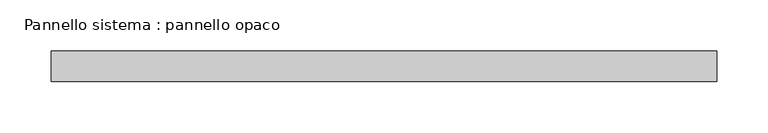
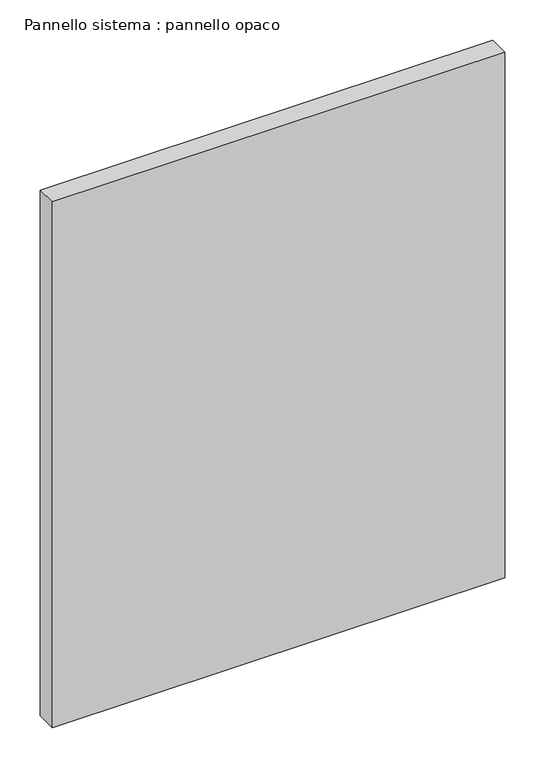
"""IFC4 building model written with IfcOpenShell, lengths in millimetres: plate geometry, Pannello sistema : pannello opaco."""

import ifcopenshell
import ifcopenshell.guid

model = None  # the IFC model being written
_history = None  # IfcOwnerHistory: only IFC2X3 demands one
_inside = {}  # id of a spatial element -> (the spatial element, [elements in it])
_under = {}  # id of a project, library or spatial element -> (it, [spatial elements below it])
_declared = {}  # id of a project -> (the project, [libraries it declares])
_typed = {}  # id of a type object -> (the type object, [elements of that type])
_made_of = {}  # id of a material, layer set ... -> (it, [elements and type objects made of it])


def new_model(schema):
    """Start an empty IFC model of exactly this schema.

    Asked for "IFC4X3", IfcOpenShell would pick the latest addendum, in which some entities
    have other attributes; the version numbers below select the first issue.
    IFC2X3 requires an IfcOwnerHistory on every rooted entity: one is made here for all.
    """
    global model, _history
    if schema == "IFC4X3":
        model = ifcopenshell.file(schema_version=(4, 3, 0, 0))
    else:
        model = ifcopenshell.file(schema=schema)
    _inside.clear()
    _under.clear()
    _declared.clear()
    _typed.clear()
    _made_of.clear()
    _history = None
    if model.schema == "IFC2X3":
        org = make("IfcOrganization", Name="unknown")
        user = make(
            "IfcPersonAndOrganization",
            ThePerson=make("IfcPerson", FamilyName="unknown"),
            TheOrganization=org,
        )
        app = make(
            "IfcApplication",
            ApplicationDeveloper=org,
            Version="unknown",
            ApplicationFullName="unknown",
            ApplicationIdentifier="unknown",
        )
        _history = make(
            "IfcOwnerHistory",
            OwningUser=user,
            OwningApplication=app,
            ChangeAction="ADDED",
            CreationDate=0,
        )
    return model


def make(cls, **values):
    """One entity of the class cls with the attributes given. An attribute that is None is left unset."""
    return model.create_entity(
        cls, **{name: value for name, value in values.items() if value is not None}
    )


def rooted(cls, **values):
    """An entity with a GlobalId (a new one), such as an element, a storey or a relation."""
    return make(cls, GlobalId=ifcopenshell.guid.new(), OwnerHistory=_history, **values)


def si_unit(unit_type, name, prefix=None):
    """IfcSIUnit, for example si_unit("LENGTHUNIT", "METRE", prefix="MILLI")."""
    return make("IfcSIUnit", UnitType=unit_type, Prefix=prefix, Name=name)


def assignment(units):
    """IfcUnitAssignment: the units of a project."""
    return None if units is None else make("IfcUnitAssignment", Units=units)


def point(xyz):
    """IfcCartesianPoint."""
    return None if xyz is None else make("IfcCartesianPoint", Coordinates=xyz)


def direction(xyz):
    """IfcDirection."""
    return None if xyz is None else make("IfcDirection", DirectionRatios=xyz)


def frame(location, z_axis=None, x_axis=None):
    """IfcAxis2Placement3D, a coordinate frame: its origin and axes. An axis left out is left unset."""
    return make(
        "IfcAxis2Placement3D",
        Location=point(location),
        Axis=direction(z_axis),
        RefDirection=direction(x_axis),
    )


def origin():
    """The frame at (0, 0, 0) with its axes left unset."""
    return frame((0.0, 0.0, 0.0))


def origin_with_axes():
    """The frame at (0, 0, 0) with the z axis (0, 0, 1) and the x axis (1, 0, 0) written out."""
    return frame((0.0, 0.0, 0.0), z_axis=(0.0, 0.0, 1.0), x_axis=(1.0, 0.0, 0.0))


def place(relative_to, where):
    """IfcLocalPlacement: puts the frame where relative to a parent placement (None: the world)."""
    return make(
        "IfcLocalPlacement", PlacementRelTo=relative_to, RelativePlacement=where
    )


def context(
    kind, dimensions, precision=None, world=None, true_north=None, identifier=None
):
    """IfcGeometricRepresentationContext, for example the 3D "Model" context."""
    return make(
        "IfcGeometricRepresentationContext",
        ContextIdentifier=identifier,
        ContextType=kind,
        CoordinateSpaceDimension=dimensions,
        Precision=precision,
        WorldCoordinateSystem=world,
        TrueNorth=true_north,
    )


def project(units=None, contexts=None):
    """IfcProject with its units and contexts."""
    return rooted(
        "IfcProject",
        Name="project",
        RepresentationContexts=contexts,
        UnitsInContext=assignment(units),
    )


def spatial(cls, under=None, at=None, **own):
    """A site, building, storey or space (cls), placed at a placement, below another one or the project."""
    s = rooted(cls, ObjectPlacement=at, **own)
    if under is not None:
        _under.setdefault(under.id(), (under, []))[1].append(s)
    return s


def polyline(points):
    """IfcPolyline through the points."""
    return make("IfcPolyline", Points=[point(p) for p in points])


def outline(outer, holes=None, kind="AREA"):
    """IfcArbitraryClosedProfileDef: a profile drawn as a closed curve; with holes, ...WithVoids."""
    if holes is None:
        return make("IfcArbitraryClosedProfileDef", ProfileType=kind, OuterCurve=outer)
    return make(
        "IfcArbitraryProfileDefWithVoids",
        ProfileType=kind,
        OuterCurve=outer,
        InnerCurves=holes,
    )


def extrude(swept, where, along, depth):
    """IfcExtrudedAreaSolid: the profile swept, set in the frame where, extruded along a direction by depth."""
    return make(
        "IfcExtrudedAreaSolid",
        SweptArea=swept,
        Position=where,
        ExtrudedDirection=direction(along),
        Depth=depth,
    )


def shape(context_of_items, identifier, shape_type, items):
    """IfcShapeRepresentation: the items that make up one representation, for example the "Body"."""
    return make(
        "IfcShapeRepresentation",
        ContextOfItems=context_of_items,
        RepresentationIdentifier=identifier,
        RepresentationType=shape_type,
        Items=items,
    )


def source(mapping_origin, context_of_items, identifier, shape_type, items):
    """IfcRepresentationMap: a shape defined once, which mapped items show again and again."""
    return make(
        "IfcRepresentationMap",
        MappingOrigin=mapping_origin,
        MappedRepresentation=shape(context_of_items, identifier, shape_type, items),
    )


def transform(
    local_origin,
    x_axis=None,
    y_axis=None,
    z_axis=None,
    scale=None,
    scale2=None,
    scale3=None,
    uniform=True,
):
    """IfcCartesianTransformationOperator3D, or its non-uniform kind. x_axis, y_axis, z_axis: its Axis1, 2, 3."""
    if uniform:
        return make(
            "IfcCartesianTransformationOperator3D",
            Axis1=direction(x_axis),
            Axis2=direction(y_axis),
            LocalOrigin=point(local_origin),
            Scale=scale,
            Axis3=direction(z_axis),
        )
    return make(
        "IfcCartesianTransformationOperator3DnonUniform",
        Axis1=direction(x_axis),
        Axis2=direction(y_axis),
        LocalOrigin=point(local_origin),
        Scale=scale,
        Axis3=direction(z_axis),
        Scale2=scale2,
        Scale3=scale3,
    )


def mapped(mapping_source, mapping_target):
    """IfcMappedItem: shows the shape of a source again, moved by a transform."""
    return make(
        "IfcMappedItem", MappingSource=mapping_source, MappingTarget=mapping_target
    )


def made_of(thing, what):
    """Note that an element or type object is made of a material, layer set ...; save() writes the relation."""
    if what is not None:
        _made_of.setdefault(what.id(), (what, []))[1].append(thing)
    return thing


def element(
    cls,
    number,
    at=None,
    inside=None,
    cuts=None,
    type_object=None,
    material=None,
    context=None,
    identifier="Body",
    shape_type=None,
    held_by="IfcProductDefinitionShape",
    body=None,
    shapes=None,
    **own,
):
    """One element of the class cls, such as IfcWall. Its Tag is "e" and its number.

    at: its placement. inside: the storey or other place that contains it. cuts: it is an
    opening in that element (IfcRelVoidsElement). A single representation is given by context,
    identifier, shape_type and body (its items); several are given by shapes. held_by: the class
    of the entity that holds the representations. save() writes the other relations.
    """
    e = rooted(cls, Tag="e%d" % number, ObjectPlacement=at, **own)
    if body is not None:
        shapes = [shape(context, identifier, shape_type, body)]
    if shapes is not None:
        e.Representation = make(held_by, Representations=shapes)
    if inside is not None:
        _inside.setdefault(inside.id(), (inside, []))[1].append(e)
    if cuts is not None:
        rooted(
            "IfcRelVoidsElement", RelatingBuildingElement=cuts, RelatedOpeningElement=e
        )
    if type_object is not None:
        _typed.setdefault(type_object.id(), (type_object, []))[1].append(e)
    return made_of(e, material)


def aggregate(whole, parts):
    """IfcRelAggregates: a whole, such as a stair, and the parts it consists of."""
    return rooted("IfcRelAggregates", RelatingObject=whole, RelatedObjects=parts)


def save(model, path):
    """Write the relations noted so far, then the file.

    IfcRelAggregates (storeys below a building ...), IfcRelContainedInSpatialStructure (elements
    in a storey), IfcRelDefinesByType, IfcRelAssociatesMaterial and IfcRelDeclares: one each for
    every whole, place, type object, material and project.
    """
    for whole, parts in _under.values():
        aggregate(whole, parts)
    for where, things in _inside.values():
        rooted(
            "IfcRelContainedInSpatialStructure",
            RelatedElements=things,
            RelatingStructure=where,
        )
    for kind, things in _typed.values():
        rooted("IfcRelDefinesByType", RelatedObjects=things, RelatingType=kind)
    for what, things in _made_of.values():
        rooted("IfcRelAssociatesMaterial", RelatedObjects=things, RelatingMaterial=what)
    for by, libraries in _declared.values():
        rooted("IfcRelDeclares", RelatingContext=by, RelatedDefinitions=libraries)
    model.write(path)


def pannello_sistema_pannello_opaco_e4794a71(model_context):
    return source(origin(), model_context, "Body", "SweptSolid", [
        extrude(outline(polyline([(325.6869066, -15.0), (-325.6869066, -15.0), (-325.6869066, 15.0), (325.6869066, 15.0), (325.6869066, -15.0)])), origin_with_axes(), (0.0, 0.0, 1.0), 800.0),
    ])


if __name__ == "__main__":
    model = new_model("IFC4")
    model_context = context("Model", 3, world=origin())
    ifc_project = project(units=[si_unit("LENGTHUNIT", "METRE", prefix="MILLI")], contexts=[model_context])
    site = spatial("IfcSite", under=ifc_project)
    building = spatial("IfcBuilding", under=site)
    placement = place(None, origin())
    pannello_sistema_pannello_opaco_shape = pannello_sistema_pannello_opaco_e4794a71(model_context)
    element("IfcPlate", 1, ObjectType="Pannello sistema : pannello opaco", at=placement, inside=building, context=model_context, shape_type="MappedRepresentation", body=[
        mapped(pannello_sistema_pannello_opaco_shape, transform((0.0, 0.0, 0.0), x_axis=(1.0, 0.0, 0.0), y_axis=(0.0, 1.0, 0.0), z_axis=(0.0, 0.0, 1.0))),
    ])
    save(model, "model.ifc")
